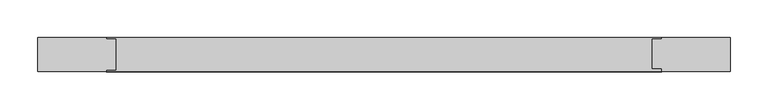
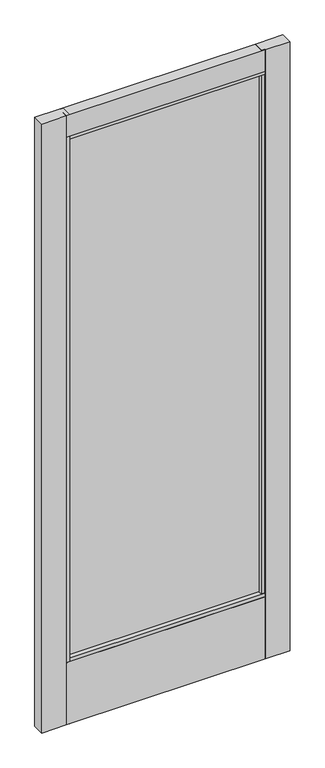
"""IFC4 building model written with IfcOpenShell, lengths in millimetres: plate geometry."""

from ifc_helpers import new_model, si_unit, frame, origin, place, context, project, spatial, polyline, outline, extrude, source, transform, mapped, element, save


def plate_ac86c90d(model_context):
    return source(origin(), model_context, "Body", "SweptSolid", [
        extrude(outline(polyline([(-455.6125, 30.1625), (-365.9054594, 30.1625), (-365.9054594, 28.6026195), (-353.2054594, 28.6026195), (-353.2054594, -12.4179584), (-365.9054594, -12.4179584), (-365.9054594, -14.2875), (-455.6125, -14.2875), (-455.6125, 30.1625)])), frame((0.0, 0.0, 17.4625), z_axis=(0.0, 0.0, 1.0), x_axis=(1.0, 0.0, 0.0)), (0.0, 0.0, 1.0), 2363.3594027),
        extrude(outline(polyline([(-361.5969957, 4.9758145), (-361.5969957, 11.3258145), (357.9966222, 11.3258145), (357.9966222, 4.9758145), (-361.5969957, 4.9758145)])), frame((0.0, 0.0, 263.906), z_axis=(0.0, 0.0, 1.0), x_axis=(1.0, 0.0, 0.0)), (0.0, 0.0, 1.0), 2029.6034027),
        extrude(outline(polyline([(455.6125, 30.1625), (455.6125, -14.2875), (365.9155797, -14.2875), (365.9155797, -10.1822968), (353.2155797, -10.1822968), (353.2155797, 28.6026195), (365.9155797, 28.6026195), (365.9155797, 30.1625), (455.6125, 30.1625)])), frame((0.0, 0.0, 17.4625), z_axis=(0.0, 0.0, 1.0), x_axis=(1.0, 0.0, 0.0)), (0.0, 0.0, 1.0), 2363.3594027),
        extrude(outline(polyline([(-14.2875, 2380.8219027), (30.1625, 2380.8219027), (30.1625, 2298.2746967), (28.6026195, 2298.2746967), (28.6026195, 2285.5719027), (-12.4179584, 2285.5719027), (-12.4179584, 2298.2746967), (-14.2875, 2298.2746967), (-14.2875, 2380.8219027)])), frame((-365.9054594, 0.0, 0.0), z_axis=(1.0, 0.0, 0.0), x_axis=(0.0, 1.0, 0.0)), (0.0, 0.0, 1.0), 731.8210391),
        extrude(outline(polyline([(-12.4179584, 271.4298836), (28.6026195, 271.4298836), (28.6026195, 258.7303916), (30.1625, 258.7303916), (30.1625, 17.4625), (-14.2875, 17.4625), (-14.2875, 258.7303916), (-12.4179584, 258.7303916), (-12.4179584, 271.4298836)])), frame((-365.9054594, 0.0, 0.0), z_axis=(1.0, 0.0, 0.0), x_axis=(0.0, 1.0, 0.0)), (0.0, 0.0, 1.0), 731.8210391),
    ])


if __name__ == "__main__":
    model = new_model("IFC4")
    model_context = context("Model", 3, world=origin())
    ifc_project = project(units=[si_unit("LENGTHUNIT", "METRE", prefix="MILLI")], contexts=[model_context])
    site = spatial("IfcSite", under=ifc_project)
    building = spatial("IfcBuilding", under=site)
    placement = place(None, origin())
    plate_shape = plate_ac86c90d(model_context)
    element("IfcPlate", 1, at=placement, inside=building, context=model_context, shape_type="MappedRepresentation", body=[
        mapped(plate_shape, transform((0.0, 0.0, 0.0), x_axis=(1.0, 0.0, 0.0), y_axis=(0.0, 1.0, 0.0), z_axis=(0.0, 0.0, 1.0))),
    ])
    save(model, "model.ifc")
